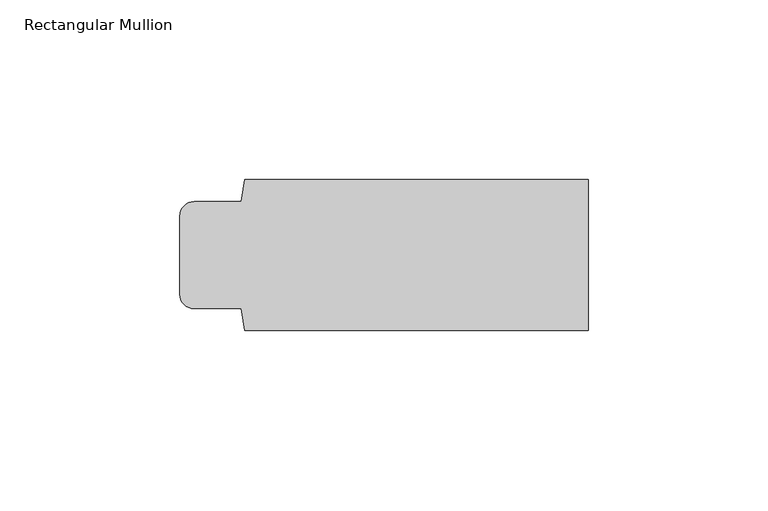
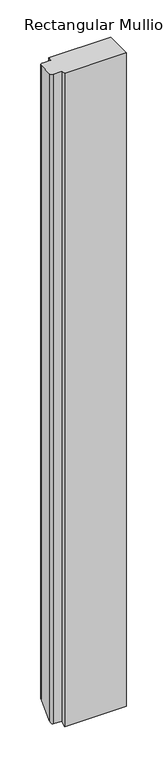
"""IFC4 building model written with IfcOpenShell, lengths in millimetres: member geometry, Rectangular Mullion."""

from ifc_helpers import new_model, si_unit, frame, origin, place, context, project, spatial, circle_curve, ellipse_curve, source, transform, mapped, element, save
from ifc_brep_helpers import plane_surface, cylinder_surface, advanced_brep


def rectangular_mullion_9a8a2e8a(model_context):
    return source(origin(), model_context, "Body", "AdvancedBrep", [
        advanced_brep(
        [(0.0, 21.0, 0.0), (-95.5, 21.0, 0.0), (-96.5, 14.9, 0.0), (-109.5, 14.9, 0.0), (-113.5, 10.9, 0.0), (-113.5, -10.9, 0.0), (-109.5, -14.9, 0.0), (-96.5, -14.9, 0.0), (-95.5, -21.0, 0.0), (0.0, -21.0, 0.0), (0.0, 21.0, -1025.8034992), (-95.5, 21.0, -1025.8034992), (-96.5, 14.9, -1031.9034992), (-109.5, 14.9, -1031.9034992), (-113.5, 10.9, -1035.9034992), (-113.5, -10.9, -1057.7034992), (-109.5, -14.9, -1061.7034992), (-96.5, -14.9, -1061.7034992), (-95.5, -21.0, -1067.8034992), (0.0, -21.0, -1067.8034992)],
        [
            (0, 1),
            (1, 2),
            (2, 3),
            (3, 4, circle_curve(frame((-109.5, 10.9, 0.0), z_axis=(0.0, 0.0, 1.0), x_axis=(-1.0, 0.0, 0.0)), 4.0)),
            (4, 5),
            (5, 6, circle_curve(frame((-109.5, -10.9, 0.0), z_axis=(0.0, 0.0, 1.0), x_axis=(0.0, -1.0, 0.0)), 4.0)),
            (6, 7),
            (7, 8),
            (8, 9),
            (9, 0),
            (0, 10),
            (10, 11),
            (11, 1),
            (11, 12),
            (12, 2),
            (12, 13),
            (13, 3),
            (13, 14, ellipse_curve(frame((-109.5, 10.9, -1035.9034992), z_axis=(0.0, -0.7071067811865448, 0.7071067811865503), x_axis=(0.0, 0.7071067811865503, 0.7071067811865446)), 5.6568542, 4.0)),
            (14, 4),
            (14, 15),
            (15, 5),
            (15, 16, ellipse_curve(frame((-109.5, -10.9, -1057.7034992), z_axis=(0.0, -0.7071067811865448, 0.7071067811865503), x_axis=(0.0, 0.7071067811865503, 0.7071067811865446)), 5.6568542, 4.0)),
            (16, 6),
            (16, 17),
            (17, 7),
            (17, 18),
            (18, 8),
            (18, 19),
            (19, 9),
            (19, 10),
        ],
        [
            plane_surface(frame((0.0, -114.0221908, 0.0), z_axis=(0.0, 0.0, 1.0), x_axis=(-1.0, 0.0, 0.0))),
            plane_surface(frame((0.0, 21.0, 0.0), z_axis=(0.0, 1.0, 0.0), x_axis=(0.0, 0.0, -1.0))),
            plane_surface(frame((-95.5, 21.0, 0.0), z_axis=(-0.9868276651053609, 0.16177502706753552, 0.0), x_axis=(0.0, 0.0, -1.0))),
            plane_surface(frame((-96.5, 14.9, 0.0), z_axis=(0.0, 1.0, 0.0), x_axis=(0.0, 0.0, -1.0))),
            cylinder_surface(frame((-109.5, 10.9, 0.0), z_axis=(0.0, 0.0, 1.0), x_axis=(-1.0, 0.0, 0.0)), 4.0),
            plane_surface(frame((-113.5, 10.9, 0.0), z_axis=(-1.0, 0.0, 0.0), x_axis=(0.0, 0.0, -1.0))),
            cylinder_surface(frame((-109.5, -10.9, 0.0), z_axis=(0.0, 0.0, 1.0), x_axis=(0.0, -1.0, 0.0)), 4.0),
            plane_surface(frame((-109.5, -14.9, 0.0), z_axis=(0.0, -1.0, 0.0), x_axis=(0.0, 0.0, -1.0))),
            plane_surface(frame((-96.5, -14.9, 0.0), z_axis=(-0.9868276651056599, -0.16177502706571165, 0.0), x_axis=(0.0, 0.0, -1.0))),
            plane_surface(frame((-95.5, -21.0, 0.0), z_axis=(0.0, -1.0, 0.0), x_axis=(0.0, 0.0, -1.0))),
            plane_surface(frame((0.0, -21.0, 0.0), z_axis=(1.0, 0.0, 0.0), x_axis=(0.0, 0.0, -1.0))),
            plane_surface(frame((-304.8, 0.0, -1046.8034992), z_axis=(0.0, 0.7071067811865448, -0.7071067811865503), x_axis=(0.0, 0.7071067811865503, 0.7071067811865448))),
        ],
        [
            (0, [[1, 2, 3, 4, 5, 6, 7, 8, 9, 10]]),
            (1, [[-1, 11, 12, 13]]),
            (2, [[-2, -13, 14, 15]]),
            (3, [[-3, -15, 16, 17]]),
            (4, [[-4, -17, 18, 19]]),
            (5, [[-5, -19, 20, 21]]),
            (6, [[-6, -21, 22, 23]]),
            (7, [[-7, -23, 24, 25]]),
            (8, [[-8, -25, 26, 27]]),
            (9, [[-9, -27, 28, 29]]),
            (10, [[-10, -29, 30, -11]]),
            (11, [[-30, -28, -26, -24, -22, -20, -18, -16, -14, -12]]),
        ],
    ),
    ])


if __name__ == "__main__":
    model = new_model("IFC4")
    model_context = context("Model", 3, world=origin())
    ifc_project = project(units=[si_unit("LENGTHUNIT", "METRE", prefix="MILLI")], contexts=[model_context])
    site = spatial("IfcSite", under=ifc_project)
    building = spatial("IfcBuilding", under=site)
    placement = place(None, origin())
    rectangular_mullion_shape = rectangular_mullion_9a8a2e8a(model_context)
    element("IfcMember", 1, ObjectType="Rectangular Mullion", at=placement, inside=building, context=model_context, shape_type="MappedRepresentation", body=[
        mapped(rectangular_mullion_shape, transform((0.0, 0.0, 0.0), x_axis=(1.0, 0.0, 0.0), y_axis=(0.0, 1.0, 0.0), z_axis=(0.0, 0.0, 1.0))),
    ])
    save(model, "model.ifc")
